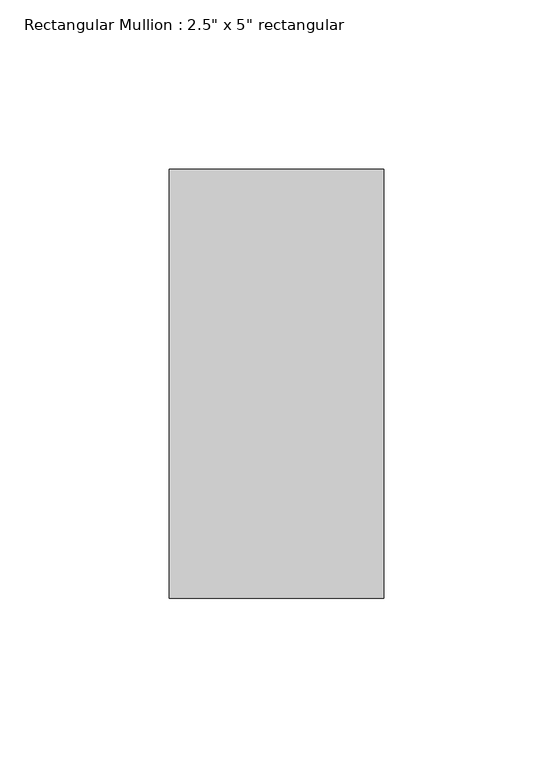
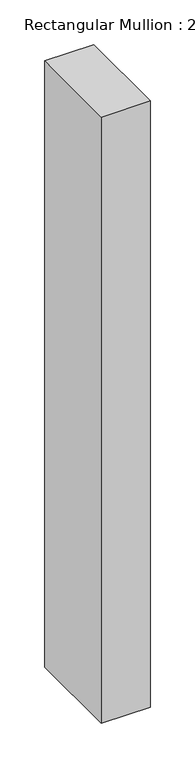
"""IFC4 building model written with IfcOpenShell, lengths in millimetres: member geometry."""

from ifc_helpers import new_model, si_unit, frame, origin, place, context, project, spatial, polyline, outline, extrude, source, transform, mapped, element, save


def member_c223c856(model_context):
    return source(origin(), model_context, "Body", "SweptSolid", [
        extrude(outline(polyline([(31.75, 63.5), (31.75, -63.5), (-31.75, -63.5), (-31.75, 63.5), (31.75, 63.5)])), frame((0.0, 0.0, -830.0357143), z_axis=(0.0, 0.0, 1.0), x_axis=(1.0, 0.0, 0.0)), (0.0, 0.0, 1.0), 830.0357143),
    ])


if __name__ == "__main__":
    model = new_model("IFC4")
    model_context = context("Model", 3, world=origin())
    ifc_project = project(units=[si_unit("LENGTHUNIT", "METRE", prefix="MILLI")], contexts=[model_context])
    site = spatial("IfcSite", under=ifc_project)
    building = spatial("IfcBuilding", under=site)
    placement = place(None, origin())
    member_shape = member_c223c856(model_context)
    element("IfcMember", 1, ObjectType="Rectangular Mullion : 2.5\" x 5\" rectangular", at=placement, inside=building, context=model_context, shape_type="MappedRepresentation", body=[
        mapped(member_shape, transform((0.0, 0.0, 0.0), x_axis=(1.0, 0.0, 0.0), y_axis=(0.0, 1.0, 0.0), z_axis=(0.0, 0.0, 1.0))),
    ])
    save(model, "model.ifc")
